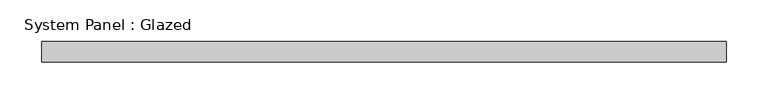
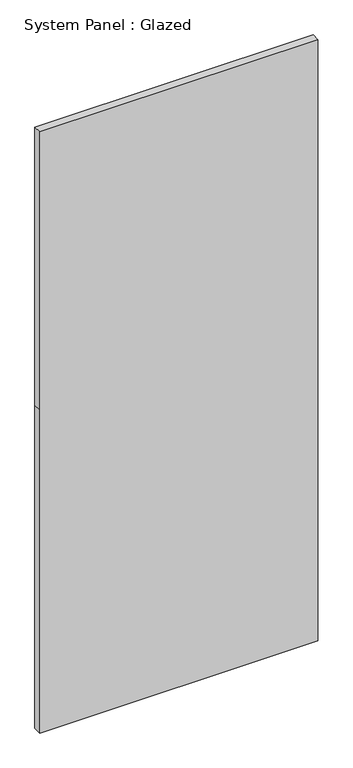
"""IFC4 building model written with IfcOpenShell, lengths in millimetres: plate geometry, System Panel : Glazed."""

from ifc_helpers import new_model, si_unit, frame, origin, place, context, project, spatial, polyline, outline, extrude, source, transform, mapped, element, save


def system_panel_glazed_36813485(model_context):
    return source(origin(), model_context, "Body", "SweptSolid", [
        extrude(outline(polyline([(0.0, -412.5), (0.0, 412.5), (1013.3333333, 412.5), (1885.0, 412.5), (1885.0, -412.5), (1013.3333333, -412.5), (0.0, -412.5)])), frame((0.0, -49.5, 0.0), z_axis=(0.0, 1.0, 0.0), x_axis=(0.0, 0.0, 1.0)), (0.0, 0.0, 1.0), 25.0),
    ])


if __name__ == "__main__":
    model = new_model("IFC4")
    model_context = context("Model", 3, world=origin())
    ifc_project = project(units=[si_unit("LENGTHUNIT", "METRE", prefix="MILLI")], contexts=[model_context])
    site = spatial("IfcSite", under=ifc_project)
    building = spatial("IfcBuilding", under=site)
    placement = place(None, origin())
    system_panel_glazed_shape = system_panel_glazed_36813485(model_context)
    element("IfcPlate", 1, ObjectType="System Panel : Glazed", at=placement, inside=building, context=model_context, shape_type="MappedRepresentation", body=[
        mapped(system_panel_glazed_shape, transform((0.0, 0.0, 0.0), x_axis=(1.0, 0.0, 0.0), y_axis=(0.0, 1.0, 0.0), z_axis=(0.0, 0.0, 1.0))),
    ])
    save(model, "model.ifc")
